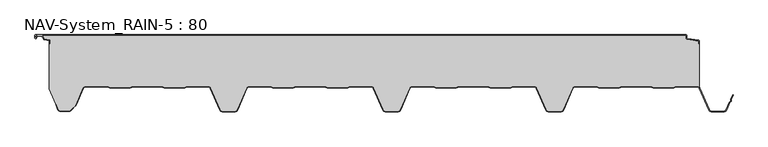
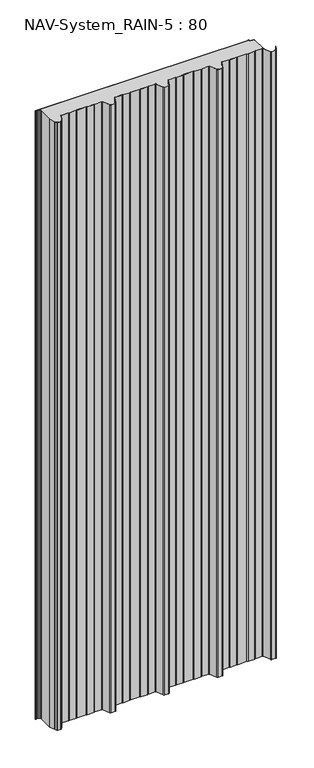
"""IFC4 building model written with IfcOpenShell, lengths in millimetres: plate geometry, NAV-System_RAIN-5 : 80."""

from ifc_helpers import new_model, si_unit, point, frame_2d, origin, origin_with_axes, place, context, project, spatial, polyline, circle_curve, trimmed, segment, composite_curve, outline, extrude, source, transform, mapped, element, save


def nav_system_rain_5_80_a1bf91c9(model_context):
    return source(origin(), model_context, "Body", "SweptSolid", [
        extrude(outline(composite_curve([segment(polyline([(519.0, -13.6767555), (518.2, -13.6767555), (518.2, -9.3721283), (500.4911207, -6.8818536)]), True, "CONTINUOUS"), segment(trimmed(circle_curve(frame_2d((500.7, -5.3964683)), 1.5), [point((500.4911207, -6.8818536))], [point((499.2, -5.3964683))], False, "CARTESIAN"), True, "CONTINUOUS"), segment(polyline([(499.2, -5.3964683), (499.2, -0.8), (-498.7, -0.8)]), True, "CONTINUOUS"), segment(trimmed(circle_curve(frame_2d((-498.7, -1.3)), 0.5), [point((-498.7, -0.8))], [point((-499.2, -1.3))], True, "CARTESIAN"), True, "CONTINUOUS"), segment(polyline([(-499.2, -1.3), (-499.2, -4.3700191)]), True, "CONTINUOUS"), segment(trimmed(circle_curve(frame_2d((-498.7, -4.3700191)), 0.5), [point((-499.2, -4.3700191))], [point((-498.2669873, -4.6200191))], True, "CARTESIAN"), True, "CONTINUOUS"), segment(polyline([(-498.2669873, -4.6200191), (-496.2924383, -1.2), (-488.9841833, -1.2), (-485.8164586, -6.6866602), (-477.2, -7.898332), (-477.2, -13.6767555), (-478.0, -13.6767555), (-478.0, -8.5937048), (-485.6863953, -7.5128213)]), True, "CONTINUOUS"), segment(trimmed(circle_curve(frame_2d((-485.5053666, -6.2254873)), 1.3), [point((-485.6863953, -7.5128213))], [point((-486.6311996, -6.8754873))], False, "CARTESIAN"), True, "CONTINUOUS"), segment(polyline([(-486.6311996, -6.8754873), (-489.4460636, -2.0), (-495.8305581, -2.0), (-497.574167, -5.0200191)]), True, "CONTINUOUS"), segment(trimmed(circle_curve(frame_2d((-498.7, -4.3700191)), 1.3), [point((-497.574167, -5.0200191))], [point((-500.0, -4.3700191))], False, "CARTESIAN"), True, "CONTINUOUS"), segment(polyline([(-500.0, -4.3700191), (-500.0, -1.3)]), True, "CONTINUOUS"), segment(trimmed(circle_curve(frame_2d((-498.7, -1.3)), 1.3), [point((-500.0, -1.3))], [point((-498.7, 0.0))], False, "CARTESIAN"), True, "CONTINUOUS"), segment(polyline([(-498.7, 0.0), (498.7, 0.0)]), True, "CONTINUOUS"), segment(trimmed(circle_curve(frame_2d((498.7, -1.3)), 1.3), [point((498.7, 0.0))], [point((500.0, -1.3))], False, "CARTESIAN"), True, "CONTINUOUS"), segment(polyline([(500.0, -1.3), (500.0, -5.3964683)]), True, "CONTINUOUS"), segment(trimmed(circle_curve(frame_2d((500.7, -5.3964683)), 0.7), [point((500.0, -5.3964683))], [point((500.602523, -6.0896481))], True, "CARTESIAN"), True, "CONTINUOUS"), segment(polyline([(500.602523, -6.0896481), (517.8810287, -8.5194024)]), True, "CONTINUOUS"), segment(trimmed(circle_curve(frame_2d((517.7, -9.8067363)), 1.3), [point((517.8810287, -8.5194024))], [point((519.0, -9.8067363))], False, "CARTESIAN"), True, "CONTINUOUS"), segment(polyline([(519.0, -9.8067363), (519.0, -13.6767555)]), True, "CONTINUOUS")], self_intersect=False)), origin_with_axes(), (0.0, 0.0, 1.0), 3000.0),
        extrude(outline(composite_curve([segment(trimmed(circle_curve(frame_2d((515.5898022, -84.0)), 4.8), [point((519.0, -80.6220493))], [point((515.5898022, -79.2))], True, "CARTESIAN"), True, "CONTINUOUS"), segment(polyline([(515.5898022, -79.2), (483.6922468, -79.2), (479.6508228, -80.7), (448.0723788, -80.6741102), (444.1768702, -79.2), (400.3589135, -79.2), (396.3174895, -80.7), (364.7390455, -80.6741102), (360.8435369, -79.2), (328.9416341, -79.2)]), True, "CONTINUOUS"), segment(trimmed(circle_curve(frame_2d((328.9416341, -84.0)), 4.8), [point((328.9416341, -79.2))], [point((324.5314363, -82.1052295))], True, "CARTESIAN"), True, "CONTINUOUS"), segment(polyline([(324.5314363, -82.1052295), (310.330878, -115.1579242)]), True, "CONTINUOUS"), segment(trimmed(circle_curve(frame_2d((306.4719549, -113.5)), 4.2), [point((310.330878, -115.1579242))], [point((306.4719549, -117.7))], False, "CARTESIAN"), True, "CONTINUOUS"), segment(polyline([(306.4719549, -117.7), (288.0594814, -117.7)]), True, "CONTINUOUS"), segment(trimmed(circle_curve(frame_2d((288.0594814, -113.5)), 4.2), [point((288.0594814, -117.7))], [point((284.2005583, -115.1579242))], False, "CARTESIAN"), True, "CONTINUOUS"), segment(polyline([(284.2005583, -115.1579242), (270.0, -82.1052295)]), True, "CONTINUOUS"), segment(trimmed(circle_curve(frame_2d((265.5898022, -84.0)), 4.8), [point((270.0, -82.1052295))], [point((265.5898022, -79.2))], True, "CARTESIAN"), True, "CONTINUOUS"), segment(polyline([(265.5898022, -79.2), (233.6922468, -79.2), (229.6508228, -80.7), (198.0723788, -80.6741102), (194.1768702, -79.2), (150.3589135, -79.2), (146.3174895, -80.7), (114.8074622, -80.7), (110.8435369, -79.2), (78.9416341, -79.2)]), True, "CONTINUOUS"), segment(trimmed(circle_curve(frame_2d((78.9416341, -84.0)), 4.8), [point((78.9416341, -79.2))], [point((74.5314363, -82.1052295))], True, "CARTESIAN"), True, "CONTINUOUS"), segment(polyline([(74.5314363, -82.1052295), (60.330878, -115.1579242)]), True, "CONTINUOUS"), segment(trimmed(circle_curve(frame_2d((56.4719549, -113.5)), 4.2), [point((60.330878, -115.1579242))], [point((56.4719549, -117.7))], False, "CARTESIAN"), True, "CONTINUOUS"), segment(polyline([(56.4719549, -117.7), (38.0594814, -117.7)]), True, "CONTINUOUS"), segment(trimmed(circle_curve(frame_2d((38.0594814, -113.5)), 4.2), [point((38.0594814, -117.7))], [point((34.2005583, -115.1579242))], False, "CARTESIAN"), True, "CONTINUOUS"), segment(polyline([(34.2005583, -115.1579242), (20.0, -82.1052295)]), True, "CONTINUOUS"), segment(trimmed(circle_curve(frame_2d((15.5898022, -84.0)), 4.8), [point((20.0, -82.1052295))], [point((15.5898022, -79.2))], True, "CARTESIAN"), True, "CONTINUOUS"), segment(polyline([(15.5898022, -79.2), (-16.3077532, -79.2), (-20.3491772, -80.7), (-51.9276212, -80.6741102), (-55.8231298, -79.2), (-99.6410865, -79.2), (-103.6825105, -80.7), (-135.1925378, -80.7), (-139.1564631, -79.2), (-171.0583659, -79.2)]), True, "CONTINUOUS"), segment(trimmed(circle_curve(frame_2d((-171.0583659, -84.0)), 4.8), [point((-171.0583659, -79.2))], [point((-175.4685637, -82.1052295))], True, "CARTESIAN"), True, "CONTINUOUS"), segment(polyline([(-175.4685637, -82.1052295), (-189.669122, -115.1579242)]), True, "CONTINUOUS"), segment(trimmed(circle_curve(frame_2d((-193.5280451, -113.5)), 4.2), [point((-189.669122, -115.1579242))], [point((-193.5280451, -117.7))], False, "CARTESIAN"), True, "CONTINUOUS"), segment(polyline([(-193.5280451, -117.7), (-211.9405186, -117.7)]), True, "CONTINUOUS"), segment(trimmed(circle_curve(frame_2d((-211.9405186, -113.5)), 4.2), [point((-211.9405186, -117.7))], [point((-215.7994417, -115.1579242))], False, "CARTESIAN"), True, "CONTINUOUS"), segment(polyline([(-215.7994417, -115.1579242), (-230.0, -82.1052295)]), True, "CONTINUOUS"), segment(trimmed(circle_curve(frame_2d((-234.4101978, -84.0)), 4.8), [point((-230.0, -82.1052295))], [point((-234.4101978, -79.2))], True, "CARTESIAN"), True, "CONTINUOUS"), segment(polyline([(-234.4101978, -79.2), (-266.3077532, -79.2), (-270.3491772, -80.7), (-301.9276212, -80.6741102), (-305.8231298, -79.2), (-349.6410865, -79.2), (-353.6825105, -80.7), (-385.1925378, -80.7), (-389.1564631, -79.2), (-421.9290751, -79.2)]), True, "CONTINUOUS"), segment(trimmed(circle_curve(frame_2d((-421.9290751, -84.0)), 4.8), [point((-421.9290751, -79.2))], [point((-426.3392729, -82.1052295))], True, "CARTESIAN"), True, "CONTINUOUS"), segment(polyline([(-426.3392729, -82.1052295), (-437.4245651, -107.9069459)]), True, "CONTINUOUS"), segment(trimmed(circle_curve(frame_2d((-441.2834882, -106.2490217)), 4.2), [point((-437.4245651, -107.9069459))], [point((-438.3136397, -109.2188701))], False, "CARTESIAN"), True, "CONTINUOUS"), segment(polyline([(-438.3136397, -109.2188701), (-444.764618, -115.6698485)]), True, "CONTINUOUS"), segment(trimmed(circle_curve(frame_2d((-447.7344665, -112.7)), 4.2), [point((-444.764618, -115.6698485))], [point((-447.7344665, -116.9))], False, "CARTESIAN"), True, "CONTINUOUS"), segment(polyline([(-447.7344665, -116.9), (-461.1405186, -116.9)]), True, "CONTINUOUS"), segment(trimmed(circle_curve(frame_2d((-461.1405186, -113.7)), 3.2), [point((-461.1405186, -116.9))], [point((-464.1022482, -114.9116756))], False, "CARTESIAN"), True, "CONTINUOUS"), segment(polyline([(-464.1022482, -114.9116756), (-467.6292254, -106.2905951), (-468.3696578, -106.593514), (-478.0, -83.053822), (-478.0, -13.6767555), (-477.2, -13.6767555), (-477.2, -7.898332), (-485.8164586, -6.6866602), (-488.9841833, -1.2), (-496.2924383, -1.2), (-498.2669873, -4.6200191)]), True, "CONTINUOUS"), segment(trimmed(circle_curve(frame_2d((-498.7, -4.3700191)), 0.5), [point((-498.2669873, -4.6200191))], [point((-499.2, -4.3700191))], False, "CARTESIAN"), True, "CONTINUOUS"), segment(polyline([(-499.2, -4.3700191), (-499.2, -1.3)]), True, "CONTINUOUS"), segment(trimmed(circle_curve(frame_2d((-498.7, -1.3)), 0.5), [point((-499.2, -1.3))], [point((-498.7, -0.8))], False, "CARTESIAN"), True, "CONTINUOUS"), segment(polyline([(-498.7, -0.8), (499.2, -0.8), (499.2, -5.3964683)]), True, "CONTINUOUS"), segment(trimmed(circle_curve(frame_2d((500.7, -5.3964683)), 1.5), [point((499.2, -5.3964683))], [point((500.4911207, -6.8818536))], True, "CARTESIAN"), True, "CONTINUOUS"), segment(polyline([(500.4911207, -6.8818536), (518.2, -9.3721283), (518.2, -13.6767555), (519.0, -13.6767555), (519.0, -80.6220493)]), True, "CONTINUOUS")], self_intersect=False)), origin_with_axes(), (0.0, 0.0, 1.0), 3000.0),
        extrude(outline(composite_curve([segment(polyline([(-464.8430228, -115.2145945), (-468.37, -106.593514), (-467.6295676, -106.2905951), (-464.1025904, -114.9116756)]), True, "CONTINUOUS"), segment(trimmed(circle_curve(frame_2d((-461.1408608, -113.7)), 3.2), [point((-464.1025904, -114.9116756))], [point((-461.1408608, -116.9))], True, "CARTESIAN"), True, "CONTINUOUS"), segment(polyline([(-461.1408608, -116.9), (-447.7348087, -116.9)]), True, "CONTINUOUS"), segment(trimmed(circle_curve(frame_2d((-447.7348087, -112.7)), 4.2), [point((-447.7348087, -116.9))], [point((-444.7649603, -115.6698485))], True, "CARTESIAN"), True, "CONTINUOUS"), segment(polyline([(-444.7649603, -115.6698485), (-438.3139819, -109.2188701)]), True, "CONTINUOUS"), segment(trimmed(circle_curve(frame_2d((-441.2838304, -106.2490217)), 4.2), [point((-438.3139819, -109.2188701))], [point((-437.4249073, -107.9069459))], True, "CARTESIAN"), True, "CONTINUOUS"), segment(polyline([(-437.4249073, -107.9069459), (-426.3396151, -82.1052295)]), True, "CONTINUOUS"), segment(trimmed(circle_curve(frame_2d((-421.9294173, -84.0)), 4.8), [point((-426.3396151, -82.1052295))], [point((-421.9294173, -79.2))], False, "CARTESIAN"), True, "CONTINUOUS"), segment(polyline([(-421.9294173, -79.2), (-389.1568054, -79.2), (-385.19288, -80.7), (-353.6828527, -80.7), (-349.6414287, -79.2), (-305.8234721, -79.2), (-301.9279634, -80.6741102), (-270.3495194, -80.7), (-266.3080954, -79.2), (-234.41054, -79.2)]), True, "CONTINUOUS"), segment(trimmed(circle_curve(frame_2d((-234.41054, -84.0)), 4.8), [point((-234.41054, -79.2))], [point((-230.0003422, -82.1052295))], False, "CARTESIAN"), True, "CONTINUOUS"), segment(polyline([(-230.0003422, -82.1052295), (-215.7997839, -115.1579242)]), True, "CONTINUOUS"), segment(trimmed(circle_curve(frame_2d((-211.9408608, -113.5)), 4.2), [point((-215.7997839, -115.1579242))], [point((-211.9408608, -117.7))], True, "CARTESIAN"), True, "CONTINUOUS"), segment(polyline([(-211.9408608, -117.7), (-193.5283873, -117.7)]), True, "CONTINUOUS"), segment(trimmed(circle_curve(frame_2d((-193.5283873, -113.5)), 4.2), [point((-193.5283873, -117.7))], [point((-189.6694642, -115.1579242))], True, "CARTESIAN"), True, "CONTINUOUS"), segment(polyline([(-189.6694642, -115.1579242), (-175.4689059, -82.1052295)]), True, "CONTINUOUS"), segment(trimmed(circle_curve(frame_2d((-171.0587081, -84.0)), 4.8), [point((-175.4689059, -82.1052295))], [point((-171.0587081, -79.2))], False, "CARTESIAN"), True, "CONTINUOUS"), segment(polyline([(-171.0587081, -79.2), (-139.1568054, -79.2), (-135.2612967, -80.6741102), (-103.6828527, -80.7), (-99.6414287, -79.2), (-55.8234721, -79.2), (-51.9279634, -80.6741102), (-20.3495194, -80.7), (-16.3080954, -79.2), (15.58946, -79.2)]), True, "CONTINUOUS"), segment(trimmed(circle_curve(frame_2d((15.58946, -84.0)), 4.8), [point((15.58946, -79.2))], [point((19.9996578, -82.1052295))], False, "CARTESIAN"), True, "CONTINUOUS"), segment(polyline([(19.9996578, -82.1052295), (34.2002161, -115.1579242)]), True, "CONTINUOUS"), segment(trimmed(circle_curve(frame_2d((38.0591392, -113.5)), 4.2), [point((34.2002161, -115.1579242))], [point((38.0591392, -117.7))], True, "CARTESIAN"), True, "CONTINUOUS"), segment(polyline([(38.0591392, -117.7), (56.4716127, -117.7)]), True, "CONTINUOUS"), segment(trimmed(circle_curve(frame_2d((56.4716127, -113.5)), 4.2), [point((56.4716127, -117.7))], [point((60.3305358, -115.1579242))], True, "CARTESIAN"), True, "CONTINUOUS"), segment(polyline([(60.3305358, -115.1579242), (74.5310941, -82.1052295)]), True, "CONTINUOUS"), segment(trimmed(circle_curve(frame_2d((78.9412919, -84.0)), 4.8), [point((74.5310941, -82.1052295))], [point((78.9412919, -79.2))], False, "CARTESIAN"), True, "CONTINUOUS"), segment(polyline([(78.9412919, -79.2), (110.8431946, -79.2), (114.7387033, -80.6741102), (146.3171473, -80.7), (150.3585713, -79.2), (194.1765279, -79.2), (198.0720366, -80.6741102), (229.6504806, -80.7), (233.6919046, -79.2), (265.58946, -79.2)]), True, "CONTINUOUS"), segment(trimmed(circle_curve(frame_2d((265.58946, -84.0)), 4.8), [point((265.58946, -79.2))], [point((269.9996578, -82.1052295))], False, "CARTESIAN"), True, "CONTINUOUS"), segment(polyline([(269.9996578, -82.1052295), (284.2002161, -115.1579242)]), True, "CONTINUOUS"), segment(trimmed(circle_curve(frame_2d((288.0591392, -113.5)), 4.2), [point((284.2002161, -115.1579242))], [point((288.0591392, -117.7))], True, "CARTESIAN"), True, "CONTINUOUS"), segment(polyline([(288.0591392, -117.7), (306.4716127, -117.7)]), True, "CONTINUOUS"), segment(trimmed(circle_curve(frame_2d((306.4716127, -113.5)), 4.2), [point((306.4716127, -117.7))], [point((310.3305358, -115.1579242))], True, "CARTESIAN"), True, "CONTINUOUS"), segment(polyline([(310.3305358, -115.1579242), (324.5310941, -82.1052295)]), True, "CONTINUOUS"), segment(trimmed(circle_curve(frame_2d((328.9412919, -84.0)), 4.8), [point((324.5310941, -82.1052295))], [point((328.9412919, -79.2))], False, "CARTESIAN"), True, "CONTINUOUS"), segment(polyline([(328.9412919, -79.2), (360.8431946, -79.2), (364.7387033, -80.6741102), (396.3171473, -80.7), (400.3585713, -79.2), (444.1765279, -79.2), (448.0720366, -80.6741102), (479.6504806, -80.7), (483.6919046, -79.2), (515.58946, -79.2)]), True, "CONTINUOUS"), segment(trimmed(circle_curve(frame_2d((515.58946, -84.0)), 4.8), [point((515.58946, -79.2))], [point((519.9996578, -82.1052295))], False, "CARTESIAN"), True, "CONTINUOUS"), segment(polyline([(519.9996578, -82.1052295), (534.2002161, -115.1579242)]), True, "CONTINUOUS"), segment(trimmed(circle_curve(frame_2d((538.0591392, -113.5)), 4.2), [point((534.2002161, -115.1579242))], [point((538.0591392, -117.7))], True, "CARTESIAN"), True, "CONTINUOUS"), segment(polyline([(538.0591392, -117.7), (556.4716127, -117.7)]), True, "CONTINUOUS"), segment(trimmed(circle_curve(frame_2d((556.4716127, -113.5)), 4.2), [point((556.4716127, -117.7))], [point((560.3305358, -115.1579242))], True, "CARTESIAN"), True, "CONTINUOUS"), segment(polyline([(560.3305358, -115.1579242), (565.2356202, -103.741031), (567.1121268, -102.0654564), (567.0358547, -99.5508717), (570.0831709, -92.458051), (570.8182039, -92.7738461), (567.8408612, -99.703799), (567.9230626, -102.4138642), (565.9006789, -104.2196957), (561.0655687, -115.4737193)]), True, "CONTINUOUS"), segment(trimmed(circle_curve(frame_2d((556.4716127, -113.5)), 5.0), [point((561.0655687, -115.4737193))], [point((556.4716127, -118.5))], False, "CARTESIAN"), True, "CONTINUOUS"), segment(polyline([(556.4716127, -118.5), (538.0591392, -118.5)]), True, "CONTINUOUS"), segment(trimmed(circle_curve(frame_2d((538.0591392, -113.5)), 5.0), [point((538.0591392, -118.5))], [point((533.4651831, -115.4737193))], False, "CARTESIAN"), True, "CONTINUOUS"), segment(polyline([(533.4651831, -115.4737193), (519.2646248, -82.4210246)]), True, "CONTINUOUS"), segment(trimmed(circle_curve(frame_2d((515.58946, -84.0)), 4.0), [point((519.2646248, -82.4210246))], [point((515.58946, -80.0))], True, "CARTESIAN"), True, "CONTINUOUS"), segment(polyline([(515.58946, -80.0), (483.8338601, -80.0), (479.8699347, -81.5), (447.9941505, -81.5), (444.0302251, -80.0), (400.5005268, -80.0), (396.5366014, -81.5), (364.6608172, -81.5), (360.6968918, -80.0), (328.9412919, -80.0)]), True, "CONTINUOUS"), segment(trimmed(circle_curve(frame_2d((328.9412919, -84.0)), 4.0), [point((328.9412919, -80.0))], [point((325.2661271, -82.4210246))], True, "CARTESIAN"), True, "CONTINUOUS"), segment(polyline([(325.2661271, -82.4210246), (311.0655687, -115.4737193)]), True, "CONTINUOUS"), segment(trimmed(circle_curve(frame_2d((306.4716127, -113.5)), 5.0), [point((311.0655687, -115.4737193))], [point((306.4716127, -118.5))], False, "CARTESIAN"), True, "CONTINUOUS"), segment(polyline([(306.4716127, -118.5), (288.0591392, -118.5)]), True, "CONTINUOUS"), segment(trimmed(circle_curve(frame_2d((288.0591392, -113.5)), 5.0), [point((288.0591392, -118.5))], [point((283.4651831, -115.4737193))], False, "CARTESIAN"), True, "CONTINUOUS"), segment(polyline([(283.4651831, -115.4737193), (269.2646248, -82.4210246)]), True, "CONTINUOUS"), segment(trimmed(circle_curve(frame_2d((265.58946, -84.0)), 4.0), [point((269.2646248, -82.4210246))], [point((265.58946, -80.0))], True, "CARTESIAN"), True, "CONTINUOUS"), segment(polyline([(265.58946, -80.0), (233.8338601, -80.0), (229.8699347, -81.5), (197.9941505, -81.5), (194.0302251, -80.0), (150.5005268, -80.0), (146.5366014, -81.5), (114.6608172, -81.5), (110.6968918, -80.0), (78.9412919, -80.0)]), True, "CONTINUOUS"), segment(trimmed(circle_curve(frame_2d((78.9412919, -84.0)), 4.0), [point((78.9412919, -80.0))], [point((75.2661271, -82.4210246))], True, "CARTESIAN"), True, "CONTINUOUS"), segment(polyline([(75.2661271, -82.4210246), (61.0655687, -115.4737193)]), True, "CONTINUOUS"), segment(trimmed(circle_curve(frame_2d((56.4716127, -113.5)), 5.0), [point((61.0655687, -115.4737193))], [point((56.4716127, -118.5))], False, "CARTESIAN"), True, "CONTINUOUS"), segment(polyline([(56.4716127, -118.5), (38.0591392, -118.5)]), True, "CONTINUOUS"), segment(trimmed(circle_curve(frame_2d((38.0591392, -113.5)), 5.0), [point((38.0591392, -118.5))], [point((33.4651831, -115.4737193))], False, "CARTESIAN"), True, "CONTINUOUS"), segment(polyline([(33.4651831, -115.4737193), (19.2646248, -82.4210246)]), True, "CONTINUOUS"), segment(trimmed(circle_curve(frame_2d((15.58946, -84.0)), 4.0), [point((19.2646248, -82.4210246))], [point((15.58946, -80.0))], True, "CARTESIAN"), True, "CONTINUOUS"), segment(polyline([(15.58946, -80.0), (-16.1661399, -80.0), (-20.1300653, -81.5), (-52.0058495, -81.5), (-55.9697749, -80.0), (-99.4994732, -80.0), (-103.4633986, -81.5), (-135.3391828, -81.5), (-139.3031082, -80.0), (-171.0587081, -80.0)]), True, "CONTINUOUS"), segment(trimmed(circle_curve(frame_2d((-171.0587081, -84.0)), 4.0), [point((-171.0587081, -80.0))], [point((-174.7338729, -82.4210246))], True, "CARTESIAN"), True, "CONTINUOUS"), segment(polyline([(-174.7338729, -82.4210246), (-188.9344313, -115.4737193)]), True, "CONTINUOUS"), segment(trimmed(circle_curve(frame_2d((-193.5283873, -113.5)), 5.0), [point((-188.9344313, -115.4737193))], [point((-193.5283873, -118.5))], False, "CARTESIAN"), True, "CONTINUOUS"), segment(polyline([(-193.5283873, -118.5), (-211.9408608, -118.5)]), True, "CONTINUOUS"), segment(trimmed(circle_curve(frame_2d((-211.9408608, -113.5)), 5.0), [point((-211.9408608, -118.5))], [point((-216.5348169, -115.4737193))], False, "CARTESIAN"), True, "CONTINUOUS"), segment(polyline([(-216.5348169, -115.4737193), (-230.7353752, -82.4210246)]), True, "CONTINUOUS"), segment(trimmed(circle_curve(frame_2d((-234.41054, -84.0)), 4.0), [point((-230.7353752, -82.4210246))], [point((-234.41054, -80.0))], True, "CARTESIAN"), True, "CONTINUOUS"), segment(polyline([(-234.41054, -80.0), (-266.1661399, -80.0), (-270.1300653, -81.5), (-302.0058495, -81.5), (-305.9697749, -80.0), (-349.4994732, -80.0), (-353.4633986, -81.5), (-385.3391828, -81.5), (-389.3031082, -80.0), (-421.9294173, -80.0)]), True, "CONTINUOUS"), segment(trimmed(circle_curve(frame_2d((-421.9294173, -84.0)), 4.0), [point((-421.9294173, -80.0))], [point((-425.6045822, -82.4210246))], True, "CARTESIAN"), True, "CONTINUOUS"), segment(polyline([(-425.6045822, -82.4210246), (-436.6898744, -108.2227409)]), True, "CONTINUOUS"), segment(trimmed(circle_curve(frame_2d((-441.2838304, -106.2490217)), 5.0), [point((-436.6898744, -108.2227409))], [point((-437.7482965, -109.7845556))], False, "CARTESIAN"), True, "CONTINUOUS"), segment(polyline([(-437.7482965, -109.7845556), (-444.1992748, -116.2355339)]), True, "CONTINUOUS"), segment(trimmed(circle_curve(frame_2d((-447.7348087, -112.7)), 5.0), [point((-444.1992748, -116.2355339))], [point((-447.7348087, -117.7))], False, "CARTESIAN"), True, "CONTINUOUS"), segment(polyline([(-447.7348087, -117.7), (-461.1408608, -117.7)]), True, "CONTINUOUS"), segment(trimmed(circle_curve(frame_2d((-461.1408608, -113.7)), 4.0), [point((-461.1408608, -117.7))], [point((-464.8430228, -115.2145945))], False, "CARTESIAN"), True, "CONTINUOUS")], self_intersect=False)), origin_with_axes(), (0.0, 0.0, 1.0), 3000.0),
    ])


if __name__ == "__main__":
    model = new_model("IFC4")
    model_context = context("Model", 3, world=origin())
    ifc_project = project(units=[si_unit("LENGTHUNIT", "METRE", prefix="MILLI")], contexts=[model_context])
    site = spatial("IfcSite", under=ifc_project)
    building = spatial("IfcBuilding", under=site)
    placement = place(None, origin())
    nav_system_rain_5_80_shape = nav_system_rain_5_80_a1bf91c9(model_context)
    element("IfcPlate", 1, ObjectType="NAV-System_RAIN-5 : 80", at=placement, inside=building, context=model_context, shape_type="MappedRepresentation", body=[
        mapped(nav_system_rain_5_80_shape, transform((0.0, 0.0, 0.0), x_axis=(1.0, 0.0, 0.0), y_axis=(0.0, 1.0, 0.0), z_axis=(0.0, 0.0, 1.0))),
    ])
    save(model, "model.ifc")
